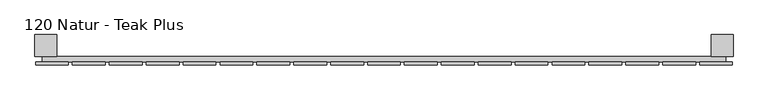
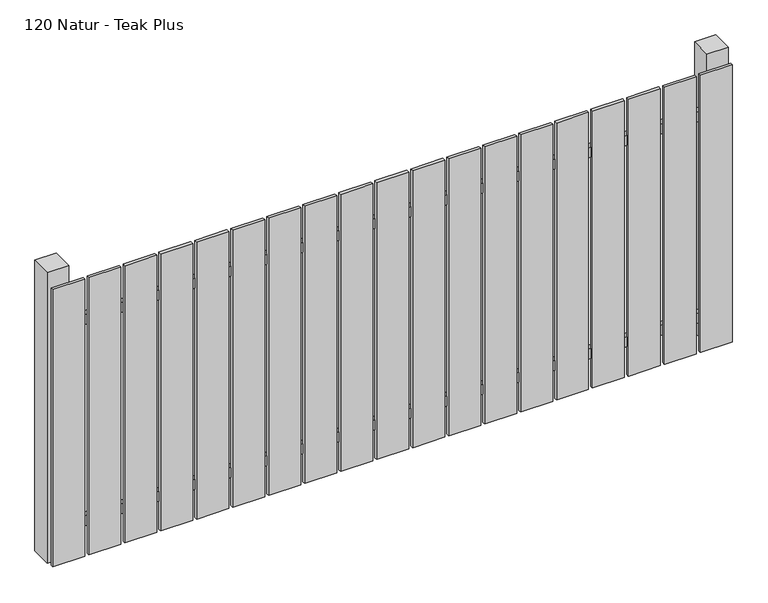
"""IFC4 building model written with IfcOpenShell, lengths in millimetres: railing geometry, 120 Natur - Teak Plus."""

from ifc_helpers import new_model, si_unit, frame, origin, origin_with_axes, place, context, project, spatial, polyline, outline, extrude, source, transform, mapped, element, save


def railing_120_natur_teak_plus_b92f800c(model_context):
    return source(origin(), model_context, "Body", "SweptSolid", [
        extrude(outline(polyline([(11087.4299228, -92439.0267127), (11087.4299228, -92419.0267127), (13587.4299228, -92419.0267127), (13587.4299228, -92439.0267127), (11087.4299228, -92439.0267127)])), frame((0.0, 0.0, 110.0), z_axis=(0.0, 0.0, 1.0), x_axis=(1.0, 0.0, 0.0)), (0.0, 0.0, 1.0), 40.0),
        extrude(outline(polyline([(11087.4299228, -92439.0267127), (11087.4299228, -92419.0267127), (13587.4299228, -92419.0267127), (13587.4299228, -92439.0267127), (11087.4299228, -92439.0267127)])), frame((0.0, 0.0, 910.0), z_axis=(0.0, 0.0, 1.0), x_axis=(1.0, 0.0, 0.0)), (0.0, 0.0, 1.0), 40.0),
        extrude(outline(polyline([(13492.4299228, -92450.5267127), (13492.4299228, -92439.5267127), (13612.4299228, -92439.5267127), (13612.4299228, -92450.5267127), (13492.4299228, -92450.5267127)])), origin_with_axes(), (0.0, 0.0, 1.0), 1100.0),
        extrude(outline(polyline([(13357.4299228, -92450.5267127), (13357.4299228, -92439.5267127), (13477.4299228, -92439.5267127), (13477.4299228, -92450.5267127), (13357.4299228, -92450.5267127)])), origin_with_axes(), (0.0, 0.0, 1.0), 1100.0),
        extrude(outline(polyline([(13222.4299228, -92450.5267127), (13222.4299228, -92439.5267127), (13342.4299228, -92439.5267127), (13342.4299228, -92450.5267127), (13222.4299228, -92450.5267127)])), origin_with_axes(), (0.0, 0.0, 1.0), 1100.0),
        extrude(outline(polyline([(13087.4299228, -92450.5267127), (13087.4299228, -92439.5267127), (13207.4299228, -92439.5267127), (13207.4299228, -92450.5267127), (13087.4299228, -92450.5267127)])), origin_with_axes(), (0.0, 0.0, 1.0), 1100.0),
        extrude(outline(polyline([(12952.4299228, -92450.5267127), (12952.4299228, -92439.5267127), (13072.4299228, -92439.5267127), (13072.4299228, -92450.5267127), (12952.4299228, -92450.5267127)])), origin_with_axes(), (0.0, 0.0, 1.0), 1100.0),
        extrude(outline(polyline([(12817.4299228, -92450.5267127), (12817.4299228, -92439.5267127), (12937.4299228, -92439.5267127), (12937.4299228, -92450.5267127), (12817.4299228, -92450.5267127)])), origin_with_axes(), (0.0, 0.0, 1.0), 1100.0),
        extrude(outline(polyline([(12682.4299228, -92450.5267127), (12682.4299228, -92439.5267127), (12802.4299228, -92439.5267127), (12802.4299228, -92450.5267127), (12682.4299228, -92450.5267127)])), origin_with_axes(), (0.0, 0.0, 1.0), 1100.0),
        extrude(outline(polyline([(12547.4299228, -92450.5267127), (12547.4299228, -92439.5267127), (12667.4299228, -92439.5267127), (12667.4299228, -92450.5267127), (12547.4299228, -92450.5267127)])), origin_with_axes(), (0.0, 0.0, 1.0), 1100.0),
        extrude(outline(polyline([(12412.4299228, -92450.5267127), (12412.4299228, -92439.5267127), (12532.4299228, -92439.5267127), (12532.4299228, -92450.5267127), (12412.4299228, -92450.5267127)])), origin_with_axes(), (0.0, 0.0, 1.0), 1100.0),
        extrude(outline(polyline([(12277.4299228, -92450.5267127), (12277.4299228, -92439.5267127), (12397.4299228, -92439.5267127), (12397.4299228, -92450.5267127), (12277.4299228, -92450.5267127)])), origin_with_axes(), (0.0, 0.0, 1.0), 1100.0),
        extrude(outline(polyline([(12142.4299228, -92450.5267127), (12142.4299228, -92439.5267127), (12262.4299228, -92439.5267127), (12262.4299228, -92450.5267127), (12142.4299228, -92450.5267127)])), origin_with_axes(), (0.0, 0.0, 1.0), 1100.0),
        extrude(outline(polyline([(12007.4299228, -92450.5267127), (12007.4299228, -92439.5267127), (12127.4299228, -92439.5267127), (12127.4299228, -92450.5267127), (12007.4299228, -92450.5267127)])), origin_with_axes(), (0.0, 0.0, 1.0), 1100.0),
        extrude(outline(polyline([(11872.4299228, -92450.5267127), (11872.4299228, -92439.5267127), (11992.4299228, -92439.5267127), (11992.4299228, -92450.5267127), (11872.4299228, -92450.5267127)])), origin_with_axes(), (0.0, 0.0, 1.0), 1100.0),
        extrude(outline(polyline([(11737.4299228, -92450.5267127), (11737.4299228, -92439.5267127), (11857.4299228, -92439.5267127), (11857.4299228, -92450.5267127), (11737.4299228, -92450.5267127)])), origin_with_axes(), (0.0, 0.0, 1.0), 1100.0),
        extrude(outline(polyline([(11602.4299228, -92450.5267127), (11602.4299228, -92439.5267127), (11722.4299228, -92439.5267127), (11722.4299228, -92450.5267127), (11602.4299228, -92450.5267127)])), origin_with_axes(), (0.0, 0.0, 1.0), 1100.0),
        extrude(outline(polyline([(11467.4299228, -92450.5267127), (11467.4299228, -92439.5267127), (11587.4299228, -92439.5267127), (11587.4299228, -92450.5267127), (11467.4299228, -92450.5267127)])), origin_with_axes(), (0.0, 0.0, 1.0), 1100.0),
        extrude(outline(polyline([(11332.4299228, -92450.5267127), (11332.4299228, -92439.5267127), (11452.4299228, -92439.5267127), (11452.4299228, -92450.5267127), (11332.4299228, -92450.5267127)])), origin_with_axes(), (0.0, 0.0, 1.0), 1100.0),
        extrude(outline(polyline([(11197.4299228, -92450.5267127), (11197.4299228, -92439.5267127), (11317.4299228, -92439.5267127), (11317.4299228, -92450.5267127), (11197.4299228, -92450.5267127)])), origin_with_axes(), (0.0, 0.0, 1.0), 1100.0),
        extrude(outline(polyline([(11062.4299228, -92450.5267127), (11062.4299228, -92439.5267127), (11182.4299228, -92439.5267127), (11182.4299228, -92450.5267127), (11062.4299228, -92450.5267127)])), origin_with_axes(), (0.0, 0.0, 1.0), 1100.0),
        extrude(outline(polyline([(13534.9299228, -92339.0267127), (13614.9299228, -92339.0267127), (13614.9299228, -92419.0267127), (13534.9299228, -92419.0267127), (13534.9299228, -92339.0267127)])), frame((0.0, 0.0, -4.0), z_axis=(0.0, 0.0, 1.0), x_axis=(1.0, 0.0, 0.0)), (0.0, 0.0, 1.0), 1154.0),
        extrude(outline(polyline([(11059.9299228, -92339.0267127), (11139.9299228, -92339.0267127), (11139.9299228, -92419.0267127), (11059.9299228, -92419.0267127), (11059.9299228, -92339.0267127)])), frame((0.0, 0.0, -4.0), z_axis=(0.0, 0.0, 1.0), x_axis=(1.0, 0.0, 0.0)), (0.0, 0.0, 1.0), 1154.0),
    ])


if __name__ == "__main__":
    model = new_model("IFC4")
    model_context = context("Model", 3, world=origin())
    ifc_project = project(units=[si_unit("LENGTHUNIT", "METRE", prefix="MILLI")], contexts=[model_context])
    site = spatial("IfcSite", under=ifc_project)
    building = spatial("IfcBuilding", under=site)
    placement = place(None, origin())
    railing_120_natur_teak_plus_shape = railing_120_natur_teak_plus_b92f800c(model_context)
    element("IfcRailing", 1, ObjectType="120 Natur - Teak Plus", at=placement, inside=building, context=model_context, shape_type="MappedRepresentation", body=[
        mapped(railing_120_natur_teak_plus_shape, transform((0.0, 0.0, 0.0), x_axis=(1.0, 0.0, 0.0), y_axis=(0.0, 1.0, 0.0), z_axis=(0.0, 0.0, 1.0))),
    ])
    save(model, "model.ifc")
